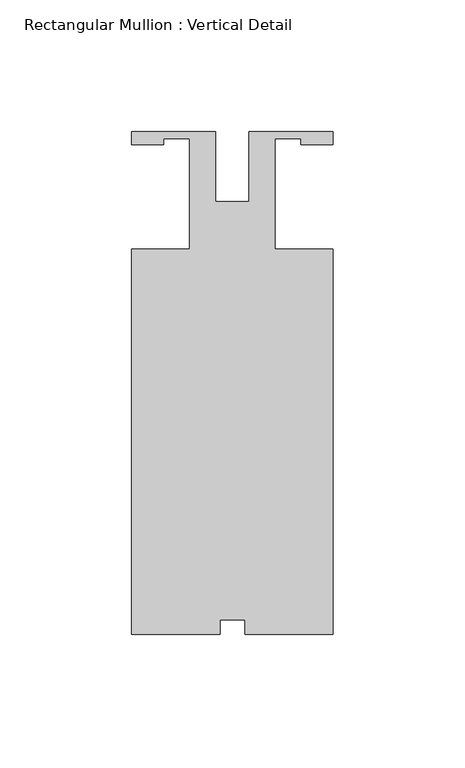
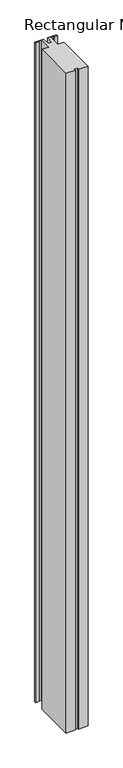
"""IFC4 building model written with IfcOpenShell, lengths in millimetres: member geometry, Rectangular Mullion : Vertical Detail."""

from ifc_helpers import new_model, si_unit, frame, origin, place, context, project, spatial, polyline, outline, extrude, source, transform, mapped, element, save


def rectangular_mullion_vertical_detail_e2adb9db(model_context):
    return source(origin(), model_context, "Body", "SweptSolid", [
        extrude(outline(polyline([(-38.1, -19.05), (-16.2306, -19.05), (-16.2306, 22.86), (-26.0096, 22.86), (-26.0096, 20.5232), (-38.1, 20.5232), (-38.1, 25.4), (-6.35, 25.4), (-6.35, -1.016), (6.35, -1.016), (6.35, 25.4), (38.1, 25.4), (38.1, 20.5232), (26.0096, 20.5232), (26.0096, 22.86), (16.2306, 22.86), (16.2306, -19.05), (38.1, -19.05), (38.1, -165.1), (4.7752, -165.1), (4.7752, -159.5882), (-4.7498, -159.5882), (-4.7498, -165.1), (-38.1, -165.1), (-38.1, -19.05)])), frame((0.0, 0.0, -2438.4), z_axis=(0.0, 0.0, 1.0), x_axis=(1.0, 0.0, 0.0)), (0.0, 0.0, 1.0), 2438.4),
    ])


if __name__ == "__main__":
    model = new_model("IFC4")
    model_context = context("Model", 3, world=origin())
    ifc_project = project(units=[si_unit("LENGTHUNIT", "METRE", prefix="MILLI")], contexts=[model_context])
    site = spatial("IfcSite", under=ifc_project)
    building = spatial("IfcBuilding", under=site)
    placement = place(None, origin())
    rectangular_mullion_vertical_detail_shape = rectangular_mullion_vertical_detail_e2adb9db(model_context)
    element("IfcMember", 1, ObjectType="Rectangular Mullion : Vertical Detail", at=placement, inside=building, context=model_context, shape_type="MappedRepresentation", body=[
        mapped(rectangular_mullion_vertical_detail_shape, transform((0.0, 0.0, 0.0), x_axis=(1.0, 0.0, 0.0), y_axis=(0.0, 1.0, 0.0), z_axis=(0.0, 0.0, 1.0))),
    ])
    save(model, "model.ifc")
